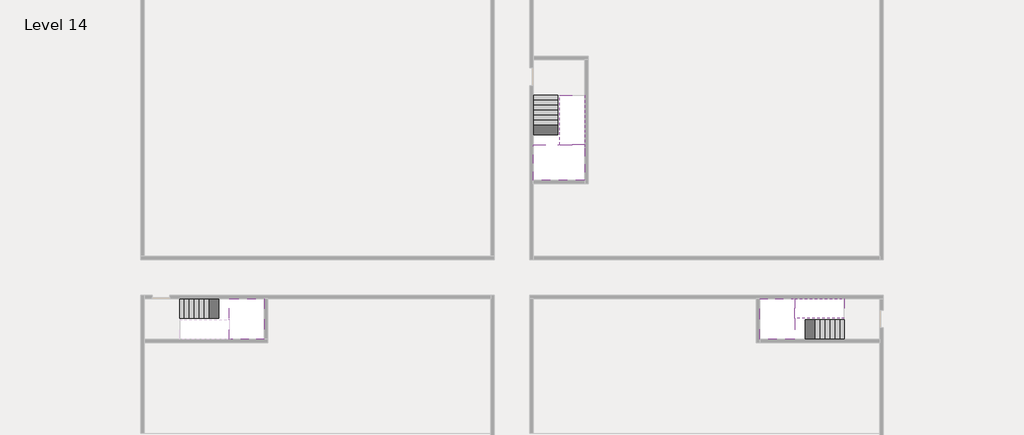
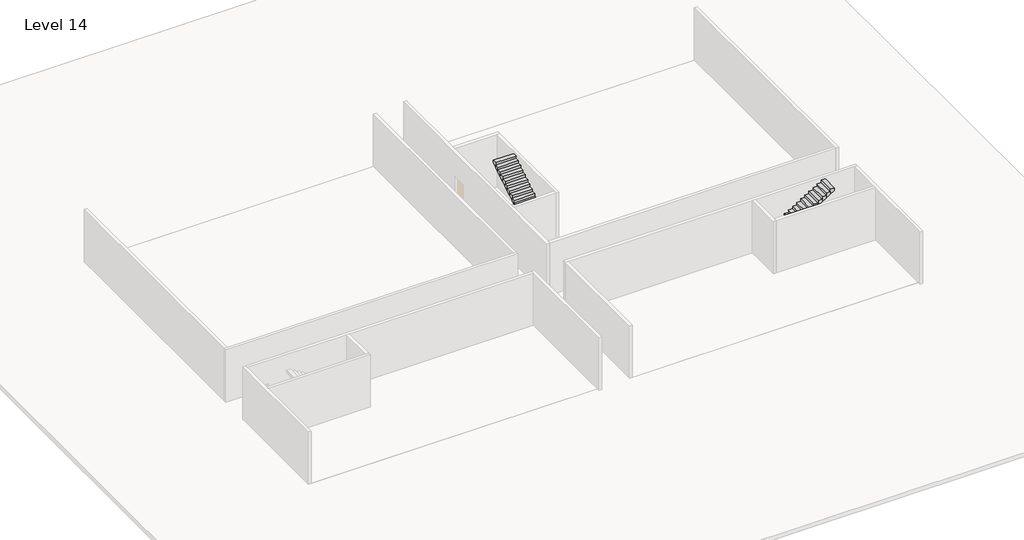
# One storey, part 2 of 2: 5 stair flights, 3 slabs.
"""IFC4 building model written with IfcOpenShell, lengths in millimetres."""

from ifc_helpers import new_model, si_unit, origin, place, context, project, spatial, faceted_brep, element, save

model = new_model("IFC4")

# Units and contexts
model_context = context("Model", 3, world=origin())
ifc_project = project(units=[si_unit("LENGTHUNIT", "METRE", prefix="MILLI")], contexts=[model_context])

# Site, building, storey
site = spatial("IfcSite", under=ifc_project)
building = spatial("IfcBuilding", under=site)
storey = spatial("IfcBuildingStorey", under=building, Name="Level 14", Elevation=49400.0)

# Slabs
placement = place(None, origin())
element("IfcSlab", 1, at=placement, inside=storey, context=model_context, shape_type="Brep", body=[
    faceted_brep([(8190.1058784, -42918.09644, 51300.0), (8190.1058784, -44018.09644, 51300.0), (8190.1058784, -44118.09644, 51300.0), (8190.1058784, -45218.09644, 51300.0), (8390.7194421, -45218.09644, 51300.0), (10190.1058784, -45218.09644, 51300.0), (10190.1058784, -42918.09644, 51300.0), (8269.4923146, -42918.09644, 51300.0), (8190.1058784, -42918.09644, 51127.2727273), (8190.1058784, -42918.09644, 50951.0278478), (8190.1058784, -44018.09644, 50951.0278478), (8190.1058784, -44018.09644, 51000.0), (8190.1058784, -44118.09644, 51000.0), (8190.1058784, -44118.09644, 51123.7551205), (8190.1058784, -45218.09644, 51123.7551205), (8390.7194421, -45218.09644, 51000.0), (10190.1058784, -45218.09644, 51000.0), (10190.1058784, -42918.09644, 51000.0), (8269.4923146, -42918.09644, 51000.0), (8390.7194421, -44118.09644, 51000.0), (8269.4923146, -44018.09644, 51000.0)], [[[0, 1, 2, 3, 4, 5, 6, 7]], [[1, 0, 8, 9, 10, 11]], [[2, 1, 11, 12, 13]], [[3, 2, 13, 14]], [[3, 14, 15, 16, 5, 4]], [[6, 5, 16, 17]], [[9, 8, 0, 7, 6, 17, 18]], [[19, 12, 11, 20, 18, 17, 16, 15]], [[12, 19, 13]], [[18, 20, 10, 9]], [[20, 11, 10]], [[19, 15, 14, 13]]]),
])
element("IfcSlab", 2, at=placement, inside=storey, context=model_context, shape_type="Brep", body=[
    faceted_brep([(40190.1058784, -45218.09644, 51300.0), (40190.1058784, -44118.09644, 51300.0), (40190.1058784, -44018.09644, 51300.0), (40190.1058784, -42918.09644, 51300.0), (39989.4923146, -42918.09644, 51300.0), (38190.1058784, -42918.09644, 51300.0), (38190.1058784, -45218.09644, 51300.0), (40110.7194421, -45218.09644, 51300.0), (40190.1058784, -45218.09644, 51127.2727273), (40190.1058784, -45218.09644, 50951.0278478), (40190.1058784, -44118.09644, 50951.0278478), (40190.1058784, -44118.09644, 51000.0), (40190.1058784, -44018.09644, 51000.0), (40190.1058784, -44018.09644, 51123.7551205), (40190.1058784, -42918.09644, 51123.7551205), (39989.4923146, -42918.09644, 51000.0), (38190.1058784, -42918.09644, 51000.0), (38190.1058784, -45218.09644, 51000.0), (40110.7194421, -45218.09644, 51000.0), (39989.4923146, -44018.09644, 51000.0), (40110.7194421, -44118.09644, 51000.0)], [[[0, 1, 2, 3, 4, 5, 6, 7]], [[1, 0, 8, 9, 10, 11]], [[2, 1, 11, 12, 13]], [[3, 2, 13, 14]], [[3, 14, 15, 16, 5, 4]], [[6, 5, 16, 17]], [[9, 8, 0, 7, 6, 17, 18]], [[19, 12, 11, 20, 18, 17, 16, 15]], [[12, 19, 13]], [[18, 20, 10, 9]], [[20, 11, 10]], [[19, 15, 14, 13]]]),
])
element("IfcSlab", 3, at=placement, inside=storey, context=model_context, shape_type="Brep", body=[
    faceted_brep([(26790.1058784, -34218.09644, 51300.0), (25390.1058784, -34218.09644, 51300.0), (25390.1058784, -34297.4828763, 51300.0), (25390.1058784, -36218.09644, 51300.0), (28290.1058784, -36218.09644, 51300.0), (28290.1058784, -34418.7100038, 51300.0), (28290.1058784, -34218.09644, 51300.0), (26890.1058784, -34218.09644, 51300.0), (26790.1058784, -34218.09644, 51000.0), (26790.1058784, -34218.09644, 50951.0278478), (25390.1058784, -34218.09644, 50951.0278478), (25390.1058784, -34218.09644, 51127.2727273), (25390.1058784, -34297.4828763, 51000.0), (25390.1058784, -36218.09644, 51000.0), (28290.1058784, -36218.09644, 51000.0), (28290.1058784, -34418.7100038, 51000.0), (28290.1058784, -34218.09644, 51123.7551205), (26890.1058784, -34218.09644, 51123.7551205), (26890.1058784, -34218.09644, 51000.0), (26890.1058784, -34418.7100038, 51000.0), (26790.1058784, -34297.4828763, 51000.0)], [[[0, 1, 2, 3, 4, 5, 6, 7]], [[1, 0, 8, 9, 10, 11]], [[1, 11, 10, 12, 13, 3, 2]], [[4, 3, 13, 14]], [[4, 14, 15, 16, 6, 5]], [[7, 6, 16, 17]], [[0, 7, 17, 18, 8]], [[18, 19, 15, 14, 13, 12, 20, 8]], [[19, 18, 17]], [[20, 12, 10, 9]], [[8, 20, 9]], [[15, 19, 17, 16]]]),
])

# Stair flights
element("IfcStairFlight", 4, at=placement, inside=storey, context=model_context, shape_type="Brep", body=[
    faceted_brep([(5670.1058784, -42918.09644, 49572.7272727), (5390.1058784, -42918.09644, 49572.7272727), (5390.1058784, -44018.09644, 49572.7272727), (5670.1058784, -44018.09644, 49572.7272727), (5670.1058784, -42918.09644, 49400.0), (5390.1058784, -42918.09644, 49400.0), (5390.1058784, -44018.09644, 49400.0), (5670.1058784, -44018.09644, 49400.0), (5950.1058784, -42918.09644, 49745.4545455), (5670.1058784, -42918.09644, 49745.4545455), (5670.1058784, -44018.09644, 49745.4545455), (5950.1058784, -44018.09644, 49745.4545455), (5950.1058784, -42918.09644, 49569.209666), (5675.8081041, -42918.09644, 49400.0), (5675.8081041, -44018.09644, 49400.0), (5950.1058784, -44018.09644, 49569.209666), (6230.1058784, -42918.09644, 49918.1818182), (5950.1058784, -42918.09644, 49918.1818182), (5950.1058784, -44018.09644, 49918.1818182), (6230.1058784, -44018.09644, 49918.1818182), (6230.1058784, -42918.09644, 49741.9369387), (6230.1058784, -44018.09644, 49741.9369387), (6510.1058784, -42918.09644, 50090.9090909), (6230.1058784, -42918.09644, 50090.9090909), (6230.1058784, -44018.09644, 50090.9090909), (6510.1058784, -44018.09644, 50090.9090909), (6510.1058784, -42918.09644, 49914.6642114), (6510.1058784, -44018.09644, 49914.6642114), (6790.1058784, -42918.09644, 50263.6363636), (6510.1058784, -42918.09644, 50263.6363636), (6510.1058784, -44018.09644, 50263.6363636), (6790.1058784, -44018.09644, 50263.6363636), (6790.1058784, -42918.09644, 50087.3914841), (6790.1058784, -44018.09644, 50087.3914841), (7070.1058784, -42918.09644, 50436.3636364), (6790.1058784, -42918.09644, 50436.3636364), (6790.1058784, -44018.09644, 50436.3636364), (7070.1058784, -44018.09644, 50436.3636364), (7070.1058784, -42918.09644, 50260.1187569), (7070.1058784, -44018.09644, 50260.1187569), (7350.1058784, -42918.09644, 50609.0909091), (7070.1058784, -42918.09644, 50609.0909091), (7070.1058784, -44018.09644, 50609.0909091), (7350.1058784, -44018.09644, 50609.0909091), (7350.1058784, -42918.09644, 50432.8460296), (7350.1058784, -44018.09644, 50432.8460296), (7630.1058784, -42918.09644, 50781.8181818), (7350.1058784, -42918.09644, 50781.8181818), (7350.1058784, -44018.09644, 50781.8181818), (7630.1058784, -44018.09644, 50781.8181818), (7630.1058784, -42918.09644, 50605.5733023), (7630.1058784, -44018.09644, 50605.5733023), (7910.1058784, -42918.09644, 50954.5454545), (7630.1058784, -42918.09644, 50954.5454545), (7630.1058784, -44018.09644, 50954.5454545), (7910.1058784, -44018.09644, 50954.5454545), (7910.1058784, -42918.09644, 50778.3005751), (7910.1058784, -44018.09644, 50778.3005751), (8190.1058784, -42918.09644, 51127.2727273), (7910.1058784, -42918.09644, 51127.2727273), (7910.1058784, -44018.09644, 51127.2727273), (8190.1058784, -44018.09644, 51127.2727273), (8190.1058784, -42918.09644, 50951.0278478), (8190.1058784, -44018.09644, 50951.0278478), (8190.1058784, -44018.09644, 51000.0)], [[[0, 1, 2, 3]], [[1, 0, 4, 5]], [[2, 1, 5, 6]], [[3, 2, 6, 7]], [[8, 9, 10, 11]], [[4, 0, 9, 8, 12, 13]], [[0, 3, 10, 9]], [[3, 7, 14, 15, 11, 10]], [[16, 17, 18, 19]], [[17, 16, 20, 12, 8]], [[8, 11, 18, 17]], [[19, 18, 11, 15, 21]], [[22, 23, 24, 25]], [[23, 22, 26, 20, 16]], [[16, 19, 24, 23]], [[25, 24, 19, 21, 27]], [[28, 29, 30, 31]], [[29, 28, 32, 26, 22]], [[22, 25, 30, 29]], [[31, 30, 25, 27, 33]], [[34, 35, 36, 37]], [[35, 34, 38, 32, 28]], [[28, 31, 36, 35]], [[37, 36, 31, 33, 39]], [[40, 41, 42, 43]], [[41, 40, 44, 38, 34]], [[34, 37, 42, 41]], [[43, 42, 37, 39, 45]], [[46, 47, 48, 49]], [[47, 46, 50, 44, 40]], [[40, 43, 48, 47]], [[49, 48, 43, 45, 51]], [[52, 53, 54, 55]], [[53, 52, 56, 50, 46]], [[46, 49, 54, 53]], [[55, 54, 49, 51, 57]], [[58, 59, 60, 61]], [[59, 58, 62, 56, 52]], [[52, 55, 60, 59]], [[61, 60, 55, 57, 63, 64]], [[58, 61, 64, 63, 62]], [[5, 4, 13, 14, 7, 6]], [[14, 13, 12, 20, 26, 32, 38, 44, 50, 56, 62, 63, 57, 51, 45, 39, 33, 27, 21, 15]]]),
])
element("IfcStairFlight", 5, at=placement, inside=storey, context=model_context, shape_type="Brep", body=[
    faceted_brep([(42710.1058784, -45218.09644, 49572.7272727), (42990.1058784, -45218.09644, 49572.7272727), (42990.1058784, -44118.09644, 49572.7272727), (42710.1058784, -44118.09644, 49572.7272727), (42710.1058784, -45218.09644, 49400.0), (42990.1058784, -45218.09644, 49400.0), (42990.1058784, -44118.09644, 49400.0), (42710.1058784, -44118.09644, 49400.0), (42430.1058784, -45218.09644, 49745.4545455), (42710.1058784, -45218.09644, 49745.4545455), (42710.1058784, -44118.09644, 49745.4545455), (42430.1058784, -44118.09644, 49745.4545455), (42430.1058784, -45218.09644, 49569.209666), (42704.4036527, -45218.09644, 49400.0), (42704.4036527, -44118.09644, 49400.0), (42430.1058784, -44118.09644, 49569.209666), (42150.1058784, -45218.09644, 49918.1818182), (42430.1058784, -45218.09644, 49918.1818182), (42430.1058784, -44118.09644, 49918.1818182), (42150.1058784, -44118.09644, 49918.1818182), (42150.1058784, -45218.09644, 49741.9369387), (42150.1058784, -44118.09644, 49741.9369387), (41870.1058784, -45218.09644, 50090.9090909), (42150.1058784, -45218.09644, 50090.9090909), (42150.1058784, -44118.09644, 50090.9090909), (41870.1058784, -44118.09644, 50090.9090909), (41870.1058784, -45218.09644, 49914.6642114), (41870.1058784, -44118.09644, 49914.6642114), (41590.1058784, -45218.09644, 50263.6363636), (41870.1058784, -45218.09644, 50263.6363636), (41870.1058784, -44118.09644, 50263.6363636), (41590.1058784, -44118.09644, 50263.6363636), (41590.1058784, -45218.09644, 50087.3914841), (41590.1058784, -44118.09644, 50087.3914841), (41310.1058784, -45218.09644, 50436.3636364), (41590.1058784, -45218.09644, 50436.3636364), (41590.1058784, -44118.09644, 50436.3636364), (41310.1058784, -44118.09644, 50436.3636364), (41310.1058784, -45218.09644, 50260.1187569), (41310.1058784, -44118.09644, 50260.1187569), (41030.1058784, -45218.09644, 50609.0909091), (41310.1058784, -45218.09644, 50609.0909091), (41310.1058784, -44118.09644, 50609.0909091), (41030.1058784, -44118.09644, 50609.0909091), (41030.1058784, -45218.09644, 50432.8460296), (41030.1058784, -44118.09644, 50432.8460296), (40750.1058784, -45218.09644, 50781.8181818), (41030.1058784, -45218.09644, 50781.8181818), (41030.1058784, -44118.09644, 50781.8181818), (40750.1058784, -44118.09644, 50781.8181818), (40750.1058784, -45218.09644, 50605.5733023), (40750.1058784, -44118.09644, 50605.5733023), (40470.1058784, -45218.09644, 50954.5454545), (40750.1058784, -45218.09644, 50954.5454545), (40750.1058784, -44118.09644, 50954.5454545), (40470.1058784, -44118.09644, 50954.5454545), (40470.1058784, -45218.09644, 50778.3005751), (40470.1058784, -44118.09644, 50778.3005751), (40190.1058784, -45218.09644, 51127.2727273), (40470.1058784, -45218.09644, 51127.2727273), (40470.1058784, -44118.09644, 51127.2727273), (40190.1058784, -44118.09644, 51127.2727273), (40190.1058784, -45218.09644, 50951.0278478), (40190.1058784, -44118.09644, 50951.0278478), (40190.1058784, -44118.09644, 51000.0)], [[[0, 1, 2, 3]], [[1, 0, 4, 5]], [[2, 1, 5, 6]], [[3, 2, 6, 7]], [[8, 9, 10, 11]], [[4, 0, 9, 8, 12, 13]], [[0, 3, 10, 9]], [[3, 7, 14, 15, 11, 10]], [[16, 17, 18, 19]], [[17, 16, 20, 12, 8]], [[8, 11, 18, 17]], [[19, 18, 11, 15, 21]], [[22, 23, 24, 25]], [[23, 22, 26, 20, 16]], [[16, 19, 24, 23]], [[25, 24, 19, 21, 27]], [[28, 29, 30, 31]], [[29, 28, 32, 26, 22]], [[22, 25, 30, 29]], [[31, 30, 25, 27, 33]], [[34, 35, 36, 37]], [[35, 34, 38, 32, 28]], [[28, 31, 36, 35]], [[37, 36, 31, 33, 39]], [[40, 41, 42, 43]], [[41, 40, 44, 38, 34]], [[34, 37, 42, 41]], [[43, 42, 37, 39, 45]], [[46, 47, 48, 49]], [[47, 46, 50, 44, 40]], [[40, 43, 48, 47]], [[49, 48, 43, 45, 51]], [[52, 53, 54, 55]], [[53, 52, 56, 50, 46]], [[46, 49, 54, 53]], [[55, 54, 49, 51, 57]], [[58, 59, 60, 61]], [[59, 58, 62, 56, 52]], [[52, 55, 60, 59]], [[61, 60, 55, 57, 63, 64]], [[58, 61, 64, 63, 62]], [[5, 4, 13, 14, 7, 6]], [[14, 13, 12, 20, 26, 32, 38, 44, 50, 56, 62, 63, 57, 51, 45, 39, 33, 27, 21, 15]]]),
])
element("IfcStairFlight", 6, at=placement, inside=storey, context=model_context, shape_type="Brep", body=[
    faceted_brep([(40470.1058784, -42918.09644, 51472.7272727), (40190.1058784, -42918.09644, 51472.7272727), (40190.1058784, -44018.09644, 51472.7272727), (40470.1058784, -44018.09644, 51472.7272727), (40470.1058784, -42918.09644, 51296.4823932), (40190.1058784, -42918.09644, 51123.7551205), (40190.1058784, -42918.09644, 51300.0), (40190.1058784, -44018.09644, 51123.7551205), (40470.1058784, -44018.09644, 51296.4823932), (40750.1058784, -42918.09644, 51645.4545455), (40470.1058784, -42918.09644, 51645.4545455), (40470.1058784, -44018.09644, 51645.4545455), (40750.1058784, -44018.09644, 51645.4545455), (40750.1058784, -42918.09644, 51469.209666), (40750.1058784, -44018.09644, 51469.209666), (41030.1058784, -42918.09644, 51818.1818182), (40750.1058784, -42918.09644, 51818.1818182), (40750.1058784, -44018.09644, 51818.1818182), (41030.1058784, -44018.09644, 51818.1818182), (41030.1058784, -42918.09644, 51641.9369387), (41030.1058784, -44018.09644, 51641.9369387), (41310.1058784, -42918.09644, 51990.9090909), (41030.1058784, -42918.09644, 51990.9090909), (41030.1058784, -44018.09644, 51990.9090909), (41310.1058784, -44018.09644, 51990.9090909), (41310.1058784, -42918.09644, 51814.6642114), (41310.1058784, -44018.09644, 51814.6642114), (41590.1058784, -42918.09644, 52163.6363636), (41310.1058784, -42918.09644, 52163.6363636), (41310.1058784, -44018.09644, 52163.6363636), (41590.1058784, -44018.09644, 52163.6363636), (41590.1058784, -42918.09644, 51987.3914841), (41590.1058784, -44018.09644, 51987.3914841), (41870.1058784, -42918.09644, 52336.3636364), (41590.1058784, -42918.09644, 52336.3636364), (41590.1058784, -44018.09644, 52336.3636364), (41870.1058784, -44018.09644, 52336.3636364), (41870.1058784, -42918.09644, 52160.1187569), (41870.1058784, -44018.09644, 52160.1187569), (42150.1058784, -42918.09644, 52509.0909091), (41870.1058784, -42918.09644, 52509.0909091), (41870.1058784, -44018.09644, 52509.0909091), (42150.1058784, -44018.09644, 52509.0909091), (42150.1058784, -42918.09644, 52332.8460296), (42150.1058784, -44018.09644, 52332.8460296), (42430.1058784, -42918.09644, 52681.8181818), (42150.1058784, -42918.09644, 52681.8181818), (42150.1058784, -44018.09644, 52681.8181818), (42430.1058784, -44018.09644, 52681.8181818), (42430.1058784, -42918.09644, 52505.5733023), (42430.1058784, -44018.09644, 52505.5733023), (42710.1058784, -42918.09644, 52854.5454545), (42430.1058784, -42918.09644, 52854.5454545), (42430.1058784, -44018.09644, 52854.5454545), (42710.1058784, -44018.09644, 52854.5454545), (42710.1058784, -42918.09644, 52678.3005751), (42710.1058784, -44018.09644, 52678.3005751), (42990.1058784, -42918.09644, 53027.2727273), (42710.1058784, -42918.09644, 53027.2727273), (42710.1058784, -44018.09644, 53027.2727273), (42990.1058784, -44018.09644, 53027.2727273), (42990.1058784, -42918.09644, 52851.0278478), (42990.1058784, -44018.09644, 52851.0278478)], [[[0, 1, 2, 3]], [[1, 0, 4, 5, 6]], [[2, 1, 6, 5, 7]], [[3, 2, 7, 8]], [[9, 10, 11, 12]], [[10, 9, 13, 4, 0]], [[11, 10, 0, 3]], [[12, 11, 3, 8, 14]], [[15, 16, 17, 18]], [[16, 15, 19, 13, 9]], [[17, 16, 9, 12]], [[18, 17, 12, 14, 20]], [[21, 22, 23, 24]], [[22, 21, 25, 19, 15]], [[23, 22, 15, 18]], [[24, 23, 18, 20, 26]], [[27, 28, 29, 30]], [[28, 27, 31, 25, 21]], [[29, 28, 21, 24]], [[30, 29, 24, 26, 32]], [[33, 34, 35, 36]], [[34, 33, 37, 31, 27]], [[35, 34, 27, 30]], [[36, 35, 30, 32, 38]], [[39, 40, 41, 42]], [[40, 39, 43, 37, 33]], [[41, 40, 33, 36]], [[42, 41, 36, 38, 44]], [[45, 46, 47, 48]], [[46, 45, 49, 43, 39]], [[47, 46, 39, 42]], [[48, 47, 42, 44, 50]], [[51, 52, 53, 54]], [[52, 51, 55, 49, 45]], [[53, 52, 45, 48]], [[54, 53, 48, 50, 56]], [[57, 58, 59, 60]], [[58, 57, 61, 55, 51]], [[59, 58, 51, 54]], [[60, 59, 54, 56, 62]], [[57, 60, 62, 61]], [[5, 4, 13, 19, 25, 31, 37, 43, 49, 55, 61, 62, 56, 50, 44, 38, 32, 26, 20, 14, 8, 7]]]),
])
element("IfcStairFlight", 7, at=placement, inside=storey, context=model_context, shape_type="Brep", body=[
    faceted_brep([(26790.1058784, -31698.09644, 49572.7272727), (26790.1058784, -31418.09644, 49572.7272727), (25390.1058784, -31418.09644, 49572.7272727), (25390.1058784, -31698.09644, 49572.7272727), (26790.1058784, -31698.09644, 49400.0), (26790.1058784, -31418.09644, 49400.0), (25390.1058784, -31418.09644, 49400.0), (25390.1058784, -31698.09644, 49400.0), (26790.1058784, -31978.09644, 49745.4545455), (26790.1058784, -31698.09644, 49745.4545455), (25390.1058784, -31698.09644, 49745.4545455), (25390.1058784, -31978.09644, 49745.4545455), (26790.1058784, -31978.09644, 49569.209666), (26790.1058784, -31703.7986657, 49400.0), (25390.1058784, -31703.7986657, 49400.0), (25390.1058784, -31978.09644, 49569.209666), (26790.1058784, -32258.09644, 49918.1818182), (26790.1058784, -31978.09644, 49918.1818182), (25390.1058784, -31978.09644, 49918.1818182), (25390.1058784, -32258.09644, 49918.1818182), (26790.1058784, -32258.09644, 49741.9369387), (25390.1058784, -32258.09644, 49741.9369387), (26790.1058784, -32538.09644, 50090.9090909), (26790.1058784, -32258.09644, 50090.9090909), (25390.1058784, -32258.09644, 50090.9090909), (25390.1058784, -32538.09644, 50090.9090909), (26790.1058784, -32538.09644, 49914.6642114), (25390.1058784, -32538.09644, 49914.6642114), (26790.1058784, -32818.09644, 50263.6363636), (26790.1058784, -32538.09644, 50263.6363636), (25390.1058784, -32538.09644, 50263.6363636), (25390.1058784, -32818.09644, 50263.6363636), (26790.1058784, -32818.09644, 50087.3914841), (25390.1058784, -32818.09644, 50087.3914841), (26790.1058784, -33098.09644, 50436.3636364), (26790.1058784, -32818.09644, 50436.3636364), (25390.1058784, -32818.09644, 50436.3636364), (25390.1058784, -33098.09644, 50436.3636364), (26790.1058784, -33098.09644, 50260.1187569), (25390.1058784, -33098.09644, 50260.1187569), (26790.1058784, -33378.09644, 50609.0909091), (26790.1058784, -33098.09644, 50609.0909091), (25390.1058784, -33098.09644, 50609.0909091), (25390.1058784, -33378.09644, 50609.0909091), (26790.1058784, -33378.09644, 50432.8460296), (25390.1058784, -33378.09644, 50432.8460296), (26790.1058784, -33658.09644, 50781.8181818), (26790.1058784, -33378.09644, 50781.8181818), (25390.1058784, -33378.09644, 50781.8181818), (25390.1058784, -33658.09644, 50781.8181818), (26790.1058784, -33658.09644, 50605.5733023), (25390.1058784, -33658.09644, 50605.5733023), (26790.1058784, -33938.09644, 50954.5454545), (26790.1058784, -33658.09644, 50954.5454545), (25390.1058784, -33658.09644, 50954.5454545), (25390.1058784, -33938.09644, 50954.5454545), (26790.1058784, -33938.09644, 50778.3005751), (25390.1058784, -33938.09644, 50778.3005751), (26790.1058784, -34218.09644, 51127.2727273), (26790.1058784, -33938.09644, 51127.2727273), (25390.1058784, -33938.09644, 51127.2727273), (25390.1058784, -34218.09644, 51127.2727273), (26790.1058784, -34218.09644, 51000.0), (26790.1058784, -34218.09644, 50951.0278478), (25390.1058784, -34218.09644, 50951.0278478)], [[[0, 1, 2, 3]], [[1, 0, 4, 5]], [[2, 1, 5, 6]], [[3, 2, 6, 7]], [[8, 9, 10, 11]], [[4, 0, 9, 8, 12, 13]], [[0, 3, 10, 9]], [[3, 7, 14, 15, 11, 10]], [[16, 17, 18, 19]], [[17, 16, 20, 12, 8]], [[8, 11, 18, 17]], [[19, 18, 11, 15, 21]], [[22, 23, 24, 25]], [[23, 22, 26, 20, 16]], [[16, 19, 24, 23]], [[25, 24, 19, 21, 27]], [[28, 29, 30, 31]], [[29, 28, 32, 26, 22]], [[22, 25, 30, 29]], [[31, 30, 25, 27, 33]], [[34, 35, 36, 37]], [[35, 34, 38, 32, 28]], [[28, 31, 36, 35]], [[37, 36, 31, 33, 39]], [[40, 41, 42, 43]], [[41, 40, 44, 38, 34]], [[34, 37, 42, 41]], [[43, 42, 37, 39, 45]], [[46, 47, 48, 49]], [[47, 46, 50, 44, 40]], [[40, 43, 48, 47]], [[49, 48, 43, 45, 51]], [[52, 53, 54, 55]], [[53, 52, 56, 50, 46]], [[46, 49, 54, 53]], [[55, 54, 49, 51, 57]], [[58, 59, 60, 61]], [[59, 58, 62, 63, 56, 52]], [[52, 55, 60, 59]], [[61, 60, 55, 57, 64]], [[58, 61, 64, 63, 62]], [[5, 4, 13, 14, 7, 6]], [[14, 13, 12, 20, 26, 32, 38, 44, 50, 56, 63, 64, 57, 51, 45, 39, 33, 27, 21, 15]]]),
])
element("IfcStairFlight", 8, at=placement, inside=storey, context=model_context, shape_type="Brep", body=[
    faceted_brep([(26890.1058784, -33938.09644, 51472.7272727), (26890.1058784, -34218.09644, 51472.7272727), (28290.1058784, -34218.09644, 51472.7272727), (28290.1058784, -33938.09644, 51472.7272727), (26890.1058784, -33938.09644, 51296.4823932), (26890.1058784, -34218.09644, 51123.7551205), (28290.1058784, -34218.09644, 51123.7551205), (28290.1058784, -34218.09644, 51300.0), (28290.1058784, -33938.09644, 51296.4823932), (26890.1058784, -33658.09644, 51645.4545455), (26890.1058784, -33938.09644, 51645.4545455), (28290.1058784, -33938.09644, 51645.4545455), (28290.1058784, -33658.09644, 51645.4545455), (26890.1058784, -33658.09644, 51469.209666), (28290.1058784, -33658.09644, 51469.209666), (26890.1058784, -33378.09644, 51818.1818182), (26890.1058784, -33658.09644, 51818.1818182), (28290.1058784, -33658.09644, 51818.1818182), (28290.1058784, -33378.09644, 51818.1818182), (26890.1058784, -33378.09644, 51641.9369387), (28290.1058784, -33378.09644, 51641.9369387), (26890.1058784, -33098.09644, 51990.9090909), (26890.1058784, -33378.09644, 51990.9090909), (28290.1058784, -33378.09644, 51990.9090909), (28290.1058784, -33098.09644, 51990.9090909), (26890.1058784, -33098.09644, 51814.6642114), (28290.1058784, -33098.09644, 51814.6642114), (26890.1058784, -32818.09644, 52163.6363636), (26890.1058784, -33098.09644, 52163.6363636), (28290.1058784, -33098.09644, 52163.6363636), (28290.1058784, -32818.09644, 52163.6363636), (26890.1058784, -32818.09644, 51987.3914841), (28290.1058784, -32818.09644, 51987.3914841), (26890.1058784, -32538.09644, 52336.3636364), (26890.1058784, -32818.09644, 52336.3636364), (28290.1058784, -32818.09644, 52336.3636364), (28290.1058784, -32538.09644, 52336.3636364), (26890.1058784, -32538.09644, 52160.1187569), (28290.1058784, -32538.09644, 52160.1187569), (26890.1058784, -32258.09644, 52509.0909091), (26890.1058784, -32538.09644, 52509.0909091), (28290.1058784, -32538.09644, 52509.0909091), (28290.1058784, -32258.09644, 52509.0909091), (26890.1058784, -32258.09644, 52332.8460296), (28290.1058784, -32258.09644, 52332.8460296), (26890.1058784, -31978.09644, 52681.8181818), (26890.1058784, -32258.09644, 52681.8181818), (28290.1058784, -32258.09644, 52681.8181818), (28290.1058784, -31978.09644, 52681.8181818), (26890.1058784, -31978.09644, 52505.5733023), (28290.1058784, -31978.09644, 52505.5733023), (26890.1058784, -31698.09644, 52854.5454545), (26890.1058784, -31978.09644, 52854.5454545), (28290.1058784, -31978.09644, 52854.5454545), (28290.1058784, -31698.09644, 52854.5454545), (26890.1058784, -31698.09644, 52678.3005751), (28290.1058784, -31698.09644, 52678.3005751), (26890.1058784, -31418.09644, 53027.2727273), (26890.1058784, -31698.09644, 53027.2727273), (28290.1058784, -31698.09644, 53027.2727273), (28290.1058784, -31418.09644, 53027.2727273), (26890.1058784, -31418.09644, 52851.0278478), (28290.1058784, -31418.09644, 52851.0278478)], [[[0, 1, 2, 3]], [[1, 0, 4, 5]], [[2, 1, 5, 6, 7]], [[3, 2, 7, 6, 8]], [[9, 10, 11, 12]], [[10, 9, 13, 4, 0]], [[11, 10, 0, 3]], [[12, 11, 3, 8, 14]], [[15, 16, 17, 18]], [[16, 15, 19, 13, 9]], [[17, 16, 9, 12]], [[18, 17, 12, 14, 20]], [[21, 22, 23, 24]], [[22, 21, 25, 19, 15]], [[23, 22, 15, 18]], [[24, 23, 18, 20, 26]], [[27, 28, 29, 30]], [[28, 27, 31, 25, 21]], [[29, 28, 21, 24]], [[30, 29, 24, 26, 32]], [[33, 34, 35, 36]], [[34, 33, 37, 31, 27]], [[35, 34, 27, 30]], [[36, 35, 30, 32, 38]], [[39, 40, 41, 42]], [[40, 39, 43, 37, 33]], [[41, 40, 33, 36]], [[42, 41, 36, 38, 44]], [[45, 46, 47, 48]], [[46, 45, 49, 43, 39]], [[47, 46, 39, 42]], [[48, 47, 42, 44, 50]], [[51, 52, 53, 54]], [[52, 51, 55, 49, 45]], [[53, 52, 45, 48]], [[54, 53, 48, 50, 56]], [[57, 58, 59, 60]], [[58, 57, 61, 55, 51]], [[59, 58, 51, 54]], [[60, 59, 54, 56, 62]], [[57, 60, 62, 61]], [[5, 4, 13, 19, 25, 31, 37, 43, 49, 55, 61, 62, 56, 50, 44, 38, 32, 26, 20, 14, 8, 6]]]),
])

save(model, "model.ifc")
